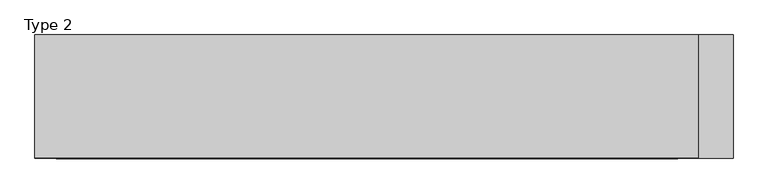
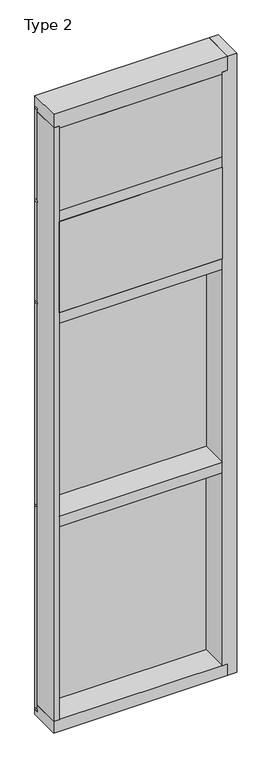
"""IFC4 building model written with IfcOpenShell, lengths in millimetres: plate geometry, Type 2."""

from ifc_helpers import new_model, si_unit, frame, origin, place, context, project, spatial, polyline, outline, extrude, faceted_brep, source, transform, mapped, element, save


def type_2_c1d9ed20(model_context):
    return source(origin(), model_context, "Body", "SolidModel", [
        extrude(outline(polyline([(494.1624799, 27.6881517), (494.1624799, 11.2982336), (481.4635691, 11.2982336), (481.4635691, 27.6881517), (494.1624799, 27.6881517)])), frame((0.0, 0.0, 1225.55), z_axis=(0.0, 0.0, 1.0), x_axis=(1.0, 0.0, 0.0)), (0.0, 0.0, 1.0), 1206.5),
        extrude(outline(polyline([(-481.4635691, 27.6881517), (-481.4635691, 11.2982336), (-494.1624799, 11.2982336), (-494.1624799, 27.6881517), (-481.4635691, 27.6881517)])), frame((0.0, 0.0, 1225.55), z_axis=(0.0, 0.0, 1.0), x_axis=(1.0, 0.0, 0.0)), (0.0, 0.0, 1.0), 1206.5),
        extrude(outline(polyline([(481.4635691, 27.686), (481.4635691, 2.286), (-481.4635691, 2.286), (-481.4635691, 27.686), (481.4635691, 27.686)])), frame((0.0, 0.0, 1225.55), z_axis=(0.0, 0.0, 1.0), x_axis=(1.0, 0.0, 0.0)), (0.0, 0.0, 1.0), 1206.5),
        extrude(outline(polyline([(494.1624799, 27.686), (494.1624799, 6.35), (-494.1624799, 6.35), (-494.1624799, 27.686), (494.1624799, 27.686)])), frame((0.0, 0.0, 2432.05), z_axis=(0.0, 0.0, 1.0), x_axis=(1.0, 0.0, 0.0)), (0.0, 0.0, 1.0), 12.7),
        extrude(outline(polyline([(462.4135691, -48.6409999), (462.4135691, -156.32684), (-462.4124799, -156.32684), (-462.4124799, -48.6409999), (462.4135691, -48.6409999)])), frame((0.0, 0.0, 2470.15), z_axis=(0.0, 0.0, 1.0), x_axis=(1.0, 0.0, 0.0)), (0.0, 0.0, 1.0), 546.1993556),
        extrude(outline(polyline([(494.1624799, 27.686), (494.1624799, 6.35), (-494.1624799, 6.35), (-494.1624799, 27.686), (494.1624799, 27.686)])), frame((0.0, 0.0, 3041.65), z_axis=(0.0, 0.0, 1.0), x_axis=(1.0, 0.0, 0.0)), (0.0, 0.0, 1.0), 12.7),
        extrude(outline(polyline([(494.1624799, 27.6881517), (494.1624799, 11.2982336), (481.4635691, 11.2982336), (481.4635691, 27.6881517), (494.1624799, 27.6881517)])), frame((0.0, 0.0, 2444.75), z_axis=(0.0, 0.0, 1.0), x_axis=(1.0, 0.0, 0.0)), (0.0, 0.0, 1.0), 596.9),
        extrude(outline(polyline([(-481.4635691, 27.6881517), (-481.4635691, 11.2982336), (-494.1624799, 11.2982336), (-494.1624799, 27.6881517), (-481.4635691, 27.6881517)])), frame((0.0, 0.0, 2444.75), z_axis=(0.0, 0.0, 1.0), x_axis=(1.0, 0.0, 0.0)), (0.0, 0.0, 1.0), 596.9),
        extrude(outline(polyline([(481.4635691, 27.686), (481.4635691, 2.286), (-481.4635691, 2.286), (-481.4635691, 27.686), (481.4635691, 27.686)])), frame((0.0, 0.0, 2444.75), z_axis=(0.0, 0.0, 1.0), x_axis=(1.0, 0.0, 0.0)), (0.0, 0.0, 1.0), 596.9),
        extrude(outline(polyline([(-494.1624799, -155.9814), (-494.1624799, 2.286), (-462.4124799, 2.286), (-462.4124799, -155.9814), (-494.1624799, -155.9814)])), frame((0.0, 0.0, 31.75), z_axis=(0.0, 0.0, 1.0), x_axis=(1.0, 0.0, 0.0)), (0.0, 0.0, 1.0), 3556.0),
        faceted_brep([(544.9624799, 27.686, 3670.3), (544.9624799, -155.9814, 3670.3), (544.9624799, -155.9814, -38.1), (544.9624799, 27.686, -38.1), (494.1624799, 2.286, 3587.75), (462.4124799, 2.286, 3587.75), (462.4124799, -155.9814, 3587.75), (494.1624799, -155.9814, 3587.75), (494.1624799, 27.686, 3670.3), (494.1624799, -155.9814, 3670.3), (494.1624799, -155.9814, -38.1), (494.1624799, 27.686, -38.1), (462.4124799, -155.9814, 31.75), (494.1624799, -155.9814, 31.75), (494.1624799, 2.286, 31.75), (462.4124799, 2.286, 31.75)], [[[0, 1, 2, 3]], [[4, 5, 6, 7]], [[1, 0, 8, 9]], [[2, 10, 11, 3]], [[1, 9, 7, 6, 12, 13, 10, 2]], [[9, 8, 11, 10, 13, 14, 4, 7]], [[8, 0, 3, 11]], [[13, 12, 15, 14]], [[6, 5, 15, 12]], [[5, 4, 14, 15]]]),
        extrude(outline(polyline([(462.4135691, -48.6409999), (462.4135691, -156.32684), (-462.4124799, -156.32684), (-462.4124799, -48.6409999), (462.4135691, -48.6409999)])), frame((0.0, 0.0, 3079.75), z_axis=(0.0, 0.0, 1.0), x_axis=(1.0, 0.0, 0.0)), (0.0, 0.0, 1.0), 495.3984372),
        extrude(outline(polyline([(494.1624799, 27.686), (494.1624799, 6.35), (-494.1624799, 6.35), (-494.1624799, 27.686), (494.1624799, 27.686)])), frame((0.0, 0.0, 3594.1), z_axis=(0.0, 0.0, 1.0), x_axis=(1.0, 0.0, 0.0)), (0.0, 0.0, 1.0), 12.7),
        extrude(outline(polyline([(494.1624799, 27.6881517), (494.1624799, 11.2982336), (481.4635691, 11.2982336), (481.4635691, 27.6881517), (494.1624799, 27.6881517)])), frame((0.0, 0.0, 3054.35), z_axis=(0.0, 0.0, 1.0), x_axis=(1.0, 0.0, 0.0)), (0.0, 0.0, 1.0), 539.75),
        extrude(outline(polyline([(-481.4635691, 27.6881517), (-481.4635691, 11.2982336), (-494.1624799, 11.2982336), (-494.1624799, 27.6881517), (-481.4635691, 27.6881517)])), frame((0.0, 0.0, 3054.35), z_axis=(0.0, 0.0, 1.0), x_axis=(1.0, 0.0, 0.0)), (0.0, 0.0, 1.0), 539.75),
        extrude(outline(polyline([(481.4635691, 27.686), (481.4635691, 2.286), (-481.4635691, 2.286), (-481.4635691, 27.686), (481.4635691, 27.686)])), frame((0.0, 0.0, 3054.35), z_axis=(0.0, 0.0, 1.0), x_axis=(1.0, 0.0, 0.0)), (0.0, 0.0, 1.0), 539.75),
        extrude(outline(polyline([(494.1624799, 27.6881517), (494.1624799, 11.2982336), (481.4635691, 11.2982336), (481.4635691, 27.6881517), (494.1624799, 27.6881517)])), frame((0.0, 0.0, 6.35), z_axis=(0.0, 0.0, 1.0), x_axis=(1.0, 0.0, 0.0)), (0.0, 0.0, 1.0), 1206.5),
        extrude(outline(polyline([(-481.4635691, 27.6881517), (-481.4635691, 11.2982336), (-494.1624799, 11.2982336), (-494.1624799, 27.6881517), (-481.4635691, 27.6881517)])), frame((0.0, 0.0, 6.35), z_axis=(0.0, 0.0, 1.0), x_axis=(1.0, 0.0, 0.0)), (0.0, 0.0, 1.0), 1206.5),
        extrude(outline(polyline([(481.4635691, 27.686), (481.4635691, 2.286), (-481.4635691, 2.286), (-481.4635691, 27.686), (481.4635691, 27.686)])), frame((0.0, 0.0, 6.35), z_axis=(0.0, 0.0, 1.0), x_axis=(1.0, 0.0, 0.0)), (0.0, 0.0, 1.0), 1206.5),
        extrude(outline(polyline([(494.1624799, 27.686), (494.1624799, 6.35), (-494.1624799, 6.35), (-494.1624799, 27.686), (494.1624799, 27.686)])), frame((0.0, 0.0, 1212.85), z_axis=(0.0, 0.0, 1.0), x_axis=(1.0, 0.0, 0.0)), (0.0, 0.0, 1.0), 12.7),
        extrude(outline(polyline([(-462.4124799, -155.4734), (-462.4124799, 2.286), (462.4124799, 2.286), (462.4124799, -155.4734), (-462.4124799, -155.4734)])), frame((0.0, 0.0, 1187.45), z_axis=(0.0, 0.0, 1.0), x_axis=(1.0, 0.0, 0.0)), (0.0, 0.0, 1.0), 63.5),
        extrude(outline(polyline([(-462.4124799, -155.4734), (-462.4124799, 2.286), (462.4124799, 2.286), (462.4124799, -155.4734), (-462.4124799, -155.4734)])), frame((0.0, 0.0, 2406.65), z_axis=(0.0, 0.0, 1.0), x_axis=(1.0, 0.0, 0.0)), (0.0, 0.0, 1.0), 63.5),
        extrude(outline(polyline([(-494.1624799, 5.0946564), (-494.1624799, 27.6881517), (494.1624799, 27.6881517), (494.1624799, 5.0946564), (-494.1624799, 5.0946564)])), frame((0.0, 0.0, -6.2984797), z_axis=(0.0, 0.0, 1.0), x_axis=(1.0, 0.0, 0.0)), (0.0, 0.0, 1.0), 12.6484797),
        extrude(outline(polyline([(27.686, 3670.3), (27.686, 3606.8000642), (2.286, 3606.8000642), (2.286, 3575.0500939), (-155.4734, 3575.0500939), (-155.4734, 3670.3), (27.686, 3670.3)])), frame((-494.1624799, 0.0, 0.0), z_axis=(1.0, 0.0, 0.0), x_axis=(0.0, 1.0, 0.0)), (0.0, 0.0, 1.0), 988.3249599),
        extrude(outline(polyline([(-462.4124799, -155.4734), (-462.4124799, 2.2859999), (462.4124799, 2.2859999), (462.4124799, -155.4734), (-462.4124799, -155.4734)])), frame((0.0, 0.0, 3016.25), z_axis=(0.0, 0.0, 1.0), x_axis=(1.0, 0.0, 0.0)), (0.0, 0.0, 1.0), 63.5),
        extrude(outline(polyline([(2.2859999, 31.75), (2.2859999, -6.2983857), (27.6858239, -6.2983857), (27.6858239, -38.1), (-155.6004, -38.1), (-155.6004, 31.75), (2.2859999, 31.75)])), frame((-494.1624799, 0.0, 0.0), z_axis=(1.0, 0.0, 0.0), x_axis=(0.0, 1.0, 0.0)), (0.0, 0.0, 1.0), 988.3249599),
    ])


if __name__ == "__main__":
    model = new_model("IFC4")
    model_context = context("Model", 3, world=origin())
    ifc_project = project(units=[si_unit("LENGTHUNIT", "METRE", prefix="MILLI")], contexts=[model_context])
    site = spatial("IfcSite", under=ifc_project)
    building = spatial("IfcBuilding", under=site)
    placement = place(None, origin())
    type_2_shape = type_2_c1d9ed20(model_context)
    element("IfcPlate", 1, ObjectType="Type 2", at=placement, inside=building, context=model_context, shape_type="MappedRepresentation", body=[
        mapped(type_2_shape, transform((0.0, 0.0, 0.0), x_axis=(1.0, 0.0, 0.0), y_axis=(0.0, 1.0, 0.0), z_axis=(0.0, 0.0, 1.0))),
    ])
    save(model, "model.ifc")
